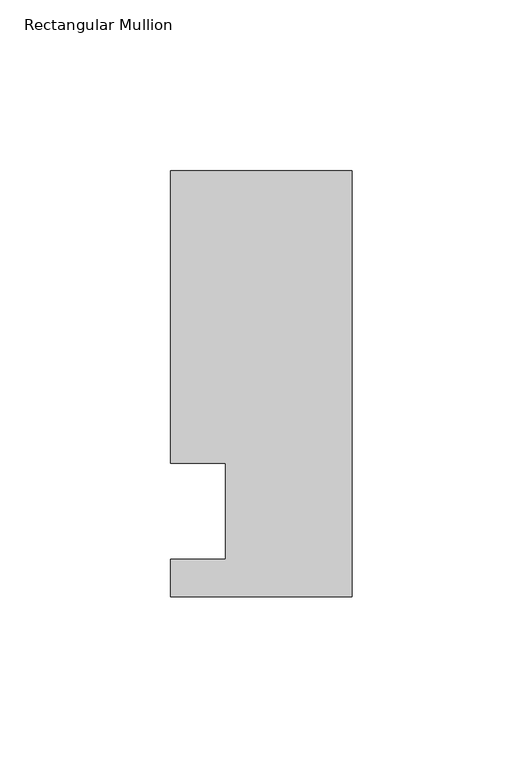
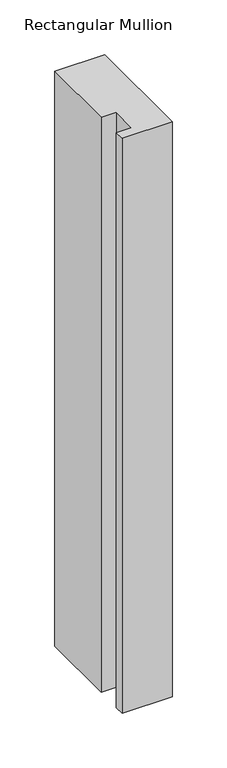
"""IFC4 building model written with IfcOpenShell, lengths in millimetres: member geometry, Rectangular Mullion."""

from ifc_helpers import new_model, si_unit, frame, origin, place, context, project, spatial, polyline, outline, extrude, source, transform, mapped, element, save


def rectangular_mullion_b449f477(model_context):
    return source(origin(), model_context, "Body", "SweptSolid", [
        extrude(outline(polyline([(0.0, -25.0), (-53.0, -25.0), (-53.0, -14.0), (-37.0, -14.0), (-37.0, 14.0), (-53.0, 14.0), (-53.0, 99.5), (0.0, 99.5), (0.0, -25.0)])), frame((0.0, 0.0, -643.9037852), z_axis=(0.0, 0.0, 1.0), x_axis=(1.0, 0.0, 0.0)), (0.0, 0.0, 1.0), 643.9037852),
    ])


if __name__ == "__main__":
    model = new_model("IFC4")
    model_context = context("Model", 3, world=origin())
    ifc_project = project(units=[si_unit("LENGTHUNIT", "METRE", prefix="MILLI")], contexts=[model_context])
    site = spatial("IfcSite", under=ifc_project)
    building = spatial("IfcBuilding", under=site)
    placement = place(None, origin())
    rectangular_mullion_shape = rectangular_mullion_b449f477(model_context)
    element("IfcMember", 1, ObjectType="Rectangular Mullion", at=placement, inside=building, context=model_context, shape_type="MappedRepresentation", body=[
        mapped(rectangular_mullion_shape, transform((0.0, 0.0, 0.0), x_axis=(1.0, 0.0, 0.0), y_axis=(0.0, 1.0, 0.0), z_axis=(0.0, 0.0, 1.0))),
    ])
    save(model, "model.ifc")
